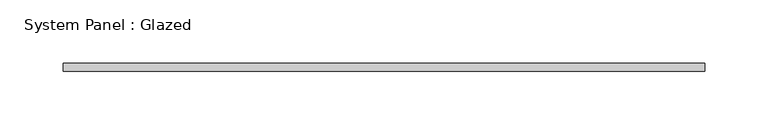
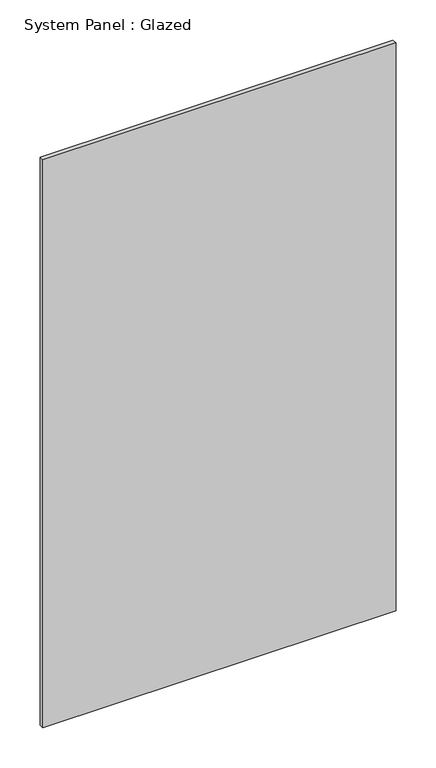
"""IFC4 building model written with IfcOpenShell, lengths in millimetres: plate geometry, System Panel : Glazed."""

import ifcopenshell
import ifcopenshell.guid

model = None  # the IFC model being written
_history = None  # IfcOwnerHistory: only IFC2X3 demands one
_inside = {}  # id of a spatial element -> (the spatial element, [elements in it])
_under = {}  # id of a project, library or spatial element -> (it, [spatial elements below it])
_declared = {}  # id of a project -> (the project, [libraries it declares])
_typed = {}  # id of a type object -> (the type object, [elements of that type])
_made_of = {}  # id of a material, layer set ... -> (it, [elements and type objects made of it])


def new_model(schema):
    """Start an empty IFC model of exactly this schema.

    Asked for "IFC4X3", IfcOpenShell would pick the latest addendum, in which some entities
    have other attributes; the version numbers below select the first issue.
    IFC2X3 requires an IfcOwnerHistory on every rooted entity: one is made here for all.
    """
    global model, _history
    if schema == "IFC4X3":
        model = ifcopenshell.file(schema_version=(4, 3, 0, 0))
    else:
        model = ifcopenshell.file(schema=schema)
    _inside.clear()
    _under.clear()
    _declared.clear()
    _typed.clear()
    _made_of.clear()
    _history = None
    if model.schema == "IFC2X3":
        org = make("IfcOrganization", Name="unknown")
        user = make(
            "IfcPersonAndOrganization",
            ThePerson=make("IfcPerson", FamilyName="unknown"),
            TheOrganization=org,
        )
        app = make(
            "IfcApplication",
            ApplicationDeveloper=org,
            Version="unknown",
            ApplicationFullName="unknown",
            ApplicationIdentifier="unknown",
        )
        _history = make(
            "IfcOwnerHistory",
            OwningUser=user,
            OwningApplication=app,
            ChangeAction="ADDED",
            CreationDate=0,
        )
    return model


def make(cls, **values):
    """One entity of the class cls with the attributes given. An attribute that is None is left unset."""
    return model.create_entity(
        cls, **{name: value for name, value in values.items() if value is not None}
    )


def rooted(cls, **values):
    """An entity with a GlobalId (a new one), such as an element, a storey or a relation."""
    return make(cls, GlobalId=ifcopenshell.guid.new(), OwnerHistory=_history, **values)


def si_unit(unit_type, name, prefix=None):
    """IfcSIUnit, for example si_unit("LENGTHUNIT", "METRE", prefix="MILLI")."""
    return make("IfcSIUnit", UnitType=unit_type, Prefix=prefix, Name=name)


def assignment(units):
    """IfcUnitAssignment: the units of a project."""
    return None if units is None else make("IfcUnitAssignment", Units=units)


def point(xyz):
    """IfcCartesianPoint."""
    return None if xyz is None else make("IfcCartesianPoint", Coordinates=xyz)


def direction(xyz):
    """IfcDirection."""
    return None if xyz is None else make("IfcDirection", DirectionRatios=xyz)


def frame(location, z_axis=None, x_axis=None):
    """IfcAxis2Placement3D, a coordinate frame: its origin and axes. An axis left out is left unset."""
    return make(
        "IfcAxis2Placement3D",
        Location=point(location),
        Axis=direction(z_axis),
        RefDirection=direction(x_axis),
    )


def origin():
    """The frame at (0, 0, 0) with its axes left unset."""
    return frame((0.0, 0.0, 0.0))


def origin_with_axes():
    """The frame at (0, 0, 0) with the z axis (0, 0, 1) and the x axis (1, 0, 0) written out."""
    return frame((0.0, 0.0, 0.0), z_axis=(0.0, 0.0, 1.0), x_axis=(1.0, 0.0, 0.0))


def place(relative_to, where):
    """IfcLocalPlacement: puts the frame where relative to a parent placement (None: the world)."""
    return make(
        "IfcLocalPlacement", PlacementRelTo=relative_to, RelativePlacement=where
    )


def context(
    kind, dimensions, precision=None, world=None, true_north=None, identifier=None
):
    """IfcGeometricRepresentationContext, for example the 3D "Model" context."""
    return make(
        "IfcGeometricRepresentationContext",
        ContextIdentifier=identifier,
        ContextType=kind,
        CoordinateSpaceDimension=dimensions,
        Precision=precision,
        WorldCoordinateSystem=world,
        TrueNorth=true_north,
    )


def project(units=None, contexts=None):
    """IfcProject with its units and contexts."""
    return rooted(
        "IfcProject",
        Name="project",
        RepresentationContexts=contexts,
        UnitsInContext=assignment(units),
    )


def spatial(cls, under=None, at=None, **own):
    """A site, building, storey or space (cls), placed at a placement, below another one or the project."""
    s = rooted(cls, ObjectPlacement=at, **own)
    if under is not None:
        _under.setdefault(under.id(), (under, []))[1].append(s)
    return s


def polyline(points):
    """IfcPolyline through the points."""
    return make("IfcPolyline", Points=[point(p) for p in points])


def outline(outer, holes=None, kind="AREA"):
    """IfcArbitraryClosedProfileDef: a profile drawn as a closed curve; with holes, ...WithVoids."""
    if holes is None:
        return make("IfcArbitraryClosedProfileDef", ProfileType=kind, OuterCurve=outer)
    return make(
        "IfcArbitraryProfileDefWithVoids",
        ProfileType=kind,
        OuterCurve=outer,
        InnerCurves=holes,
    )


def extrude(swept, where, along, depth):
    """IfcExtrudedAreaSolid: the profile swept, set in the frame where, extruded along a direction by depth."""
    return make(
        "IfcExtrudedAreaSolid",
        SweptArea=swept,
        Position=where,
        ExtrudedDirection=direction(along),
        Depth=depth,
    )


def shape(context_of_items, identifier, shape_type, items):
    """IfcShapeRepresentation: the items that make up one representation, for example the "Body"."""
    return make(
        "IfcShapeRepresentation",
        ContextOfItems=context_of_items,
        RepresentationIdentifier=identifier,
        RepresentationType=shape_type,
        Items=items,
    )


def source(mapping_origin, context_of_items, identifier, shape_type, items):
    """IfcRepresentationMap: a shape defined once, which mapped items show again and again."""
    return make(
        "IfcRepresentationMap",
        MappingOrigin=mapping_origin,
        MappedRepresentation=shape(context_of_items, identifier, shape_type, items),
    )


def transform(
    local_origin,
    x_axis=None,
    y_axis=None,
    z_axis=None,
    scale=None,
    scale2=None,
    scale3=None,
    uniform=True,
):
    """IfcCartesianTransformationOperator3D, or its non-uniform kind. x_axis, y_axis, z_axis: its Axis1, 2, 3."""
    if uniform:
        return make(
            "IfcCartesianTransformationOperator3D",
            Axis1=direction(x_axis),
            Axis2=direction(y_axis),
            LocalOrigin=point(local_origin),
            Scale=scale,
            Axis3=direction(z_axis),
        )
    return make(
        "IfcCartesianTransformationOperator3DnonUniform",
        Axis1=direction(x_axis),
        Axis2=direction(y_axis),
        LocalOrigin=point(local_origin),
        Scale=scale,
        Axis3=direction(z_axis),
        Scale2=scale2,
        Scale3=scale3,
    )


def mapped(mapping_source, mapping_target):
    """IfcMappedItem: shows the shape of a source again, moved by a transform."""
    return make(
        "IfcMappedItem", MappingSource=mapping_source, MappingTarget=mapping_target
    )


def made_of(thing, what):
    """Note that an element or type object is made of a material, layer set ...; save() writes the relation."""
    if what is not None:
        _made_of.setdefault(what.id(), (what, []))[1].append(thing)
    return thing


def element(
    cls,
    number,
    at=None,
    inside=None,
    cuts=None,
    type_object=None,
    material=None,
    context=None,
    identifier="Body",
    shape_type=None,
    held_by="IfcProductDefinitionShape",
    body=None,
    shapes=None,
    **own,
):
    """One element of the class cls, such as IfcWall. Its Tag is "e" and its number.

    at: its placement. inside: the storey or other place that contains it. cuts: it is an
    opening in that element (IfcRelVoidsElement). A single representation is given by context,
    identifier, shape_type and body (its items); several are given by shapes. held_by: the class
    of the entity that holds the representations. save() writes the other relations.
    """
    e = rooted(cls, Tag="e%d" % number, ObjectPlacement=at, **own)
    if body is not None:
        shapes = [shape(context, identifier, shape_type, body)]
    if shapes is not None:
        e.Representation = make(held_by, Representations=shapes)
    if inside is not None:
        _inside.setdefault(inside.id(), (inside, []))[1].append(e)
    if cuts is not None:
        rooted(
            "IfcRelVoidsElement", RelatingBuildingElement=cuts, RelatedOpeningElement=e
        )
    if type_object is not None:
        _typed.setdefault(type_object.id(), (type_object, []))[1].append(e)
    return made_of(e, material)


def aggregate(whole, parts):
    """IfcRelAggregates: a whole, such as a stair, and the parts it consists of."""
    return rooted("IfcRelAggregates", RelatingObject=whole, RelatedObjects=parts)


def save(model, path):
    """Write the relations noted so far, then the file.

    IfcRelAggregates (storeys below a building ...), IfcRelContainedInSpatialStructure (elements
    in a storey), IfcRelDefinesByType, IfcRelAssociatesMaterial and IfcRelDeclares: one each for
    every whole, place, type object, material and project.
    """
    for whole, parts in _under.values():
        aggregate(whole, parts)
    for where, things in _inside.values():
        rooted(
            "IfcRelContainedInSpatialStructure",
            RelatedElements=things,
            RelatingStructure=where,
        )
    for kind, things in _typed.values():
        rooted("IfcRelDefinesByType", RelatedObjects=things, RelatingType=kind)
    for what, things in _made_of.values():
        rooted("IfcRelAssociatesMaterial", RelatedObjects=things, RelatingMaterial=what)
    for by, libraries in _declared.values():
        rooted("IfcRelDeclares", RelatingContext=by, RelatedDefinitions=libraries)
    model.write(path)


def system_panel_glazed_e1404c68(model_context):
    return source(origin(), model_context, "Body", "SweptSolid", [
        extrude(outline(polyline([(254.0, -34.925), (-254.0, -34.925), (-254.0, -28.575), (254.0, -28.575), (254.0, -34.925)])), origin_with_axes(), (0.0, 0.0, 1.0), 863.6),
    ])


if __name__ == "__main__":
    model = new_model("IFC4")
    model_context = context("Model", 3, world=origin())
    ifc_project = project(units=[si_unit("LENGTHUNIT", "METRE", prefix="MILLI")], contexts=[model_context])
    site = spatial("IfcSite", under=ifc_project)
    building = spatial("IfcBuilding", under=site)
    placement = place(None, origin())
    system_panel_glazed_shape = system_panel_glazed_e1404c68(model_context)
    element("IfcPlate", 1, ObjectType="System Panel : Glazed", at=placement, inside=building, context=model_context, shape_type="MappedRepresentation", body=[
        mapped(system_panel_glazed_shape, transform((0.0, 0.0, 0.0), x_axis=(1.0, 0.0, 0.0), y_axis=(0.0, 1.0, 0.0), z_axis=(0.0, 0.0, 1.0))),
    ])
    save(model, "model.ifc")
